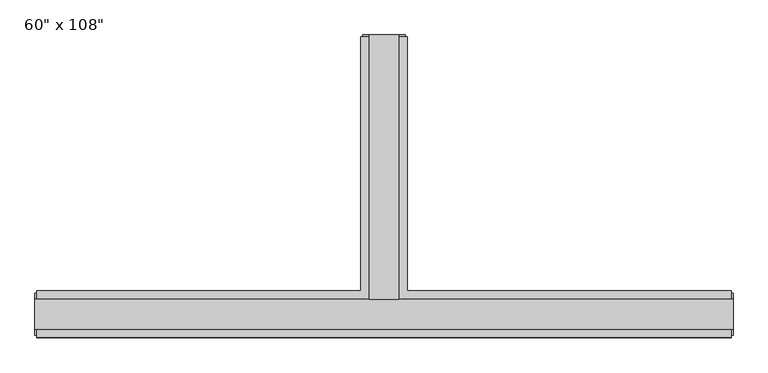
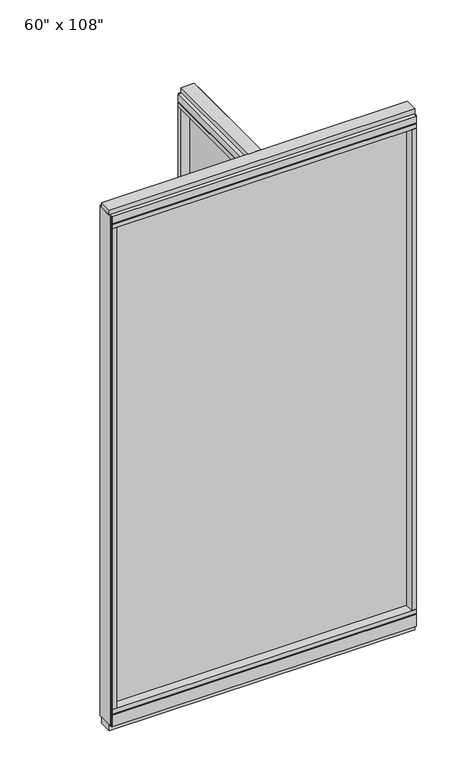
"""IFC4 building model written with IfcOpenShell, lengths in millimetres: furniture geometry."""

from ifc_helpers import new_model, si_unit, frame, origin, origin_with_axes, place, context, project, spatial, polyline, outline, extrude, faceted_brep, source, transform, mapped, element, save


def furniture_4bdf9fb6(model_context):
    return source(origin(), model_context, "Body", "SolidModel", [
        extrude(outline(polyline([(-65.1165229, 0.5622784), (-65.1165229, 578.9202784), (-54.9565229, 578.9202784), (-54.9565229, 0.5622784), (-65.1165229, 0.5622784)])), frame((0.0, 0.0, 120.65), z_axis=(0.0, 0.0, 1.0), x_axis=(1.0, 0.0, 0.0)), (0.0, 0.0, 1.0), 2533.777),
        extrude(outline(polyline([(675.8014771, -9.5977216), (-795.8745229, -9.5977216), (-795.8745229, 0.5622784), (675.8014771, 0.5622784), (675.8014771, -9.5977216)])), frame((0.0, 0.0, 120.523), z_axis=(0.0, 0.0, 1.0), x_axis=(1.0, 0.0, 0.0)), (0.0, 0.0, 1.0), 2533.777),
        extrude(outline(polyline([(-110.8365229, 601.1452784), (-9.2365229, 601.1452784), (-9.2365229, 46.2822784), (698.0264771, 46.2822784), (698.0264771, -55.3177216), (-818.0995229, -55.3177216), (-818.0995229, 46.2822784), (-110.8365229, 46.2822784), (-110.8365229, 601.1452784)])), frame((0.0, 0.0, 2654.3), z_axis=(0.0, 0.0, 1.0), x_axis=(1.0, 0.0, 0.0)), (0.0, 0.0, 1.0), 22.225),
        faceted_brep([(-105.8835229, 46.2822784, 2681.478), (-105.8835229, 46.2822784, 2676.525), (-14.1895229, 46.2822784, 2676.525), (-14.1895229, 46.2822784, 2681.478), (-9.2365229, 601.1452784, 2681.478), (-14.1895229, 601.1452784, 2681.478), (-14.1895229, 601.1452784, 2676.525), (-105.8835229, 601.1452784, 2676.525), (-105.8835229, 601.1452784, 2681.478), (-110.8365229, 601.1452784, 2681.478), (-110.8365229, 601.1452784, 2717.8), (-9.2365229, 601.1452784, 2717.8), (-9.2365229, 46.2822784, 2681.478), (698.0264771, 46.2822784, 2681.478), (698.0264771, 41.3292784, 2681.478), (-818.0995229, 41.3292784, 2681.478), (-818.0995229, 46.2822784, 2681.478), (-110.8365229, 46.2822784, 2681.478), (-110.8365229, 46.2822784, 2717.8), (-818.0995229, 46.2822784, 2717.8), (-818.0995229, -55.3177216, 2717.8), (698.0264771, -55.3177216, 2717.8), (698.0264771, 46.2822784, 2717.8), (-9.2365229, 46.2822784, 2717.8), (-818.0995229, -55.3177216, 2681.478), (-818.0995229, 41.3292784, 2676.525), (-818.0995229, -50.3647216, 2676.525), (-818.0995229, -50.3647216, 2681.478), (698.0264771, -55.3177216, 2681.478), (698.0264771, -50.3647216, 2681.478), (698.0264771, -50.3647216, 2676.525), (698.0264771, 41.3292784, 2676.525)], [[[0, 1, 2, 3]], [[4, 5, 6, 7, 8, 9, 10, 11]], [[5, 4, 12, 13, 14, 15, 16, 17, 9, 8, 0, 3]], [[3, 2, 6, 5]], [[2, 1, 7, 6]], [[1, 0, 8, 7]], [[10, 9, 17, 18]], [[11, 10, 18, 19, 20, 21, 22, 23]], [[4, 11, 23, 12]], [[24, 20, 19, 16, 15, 25, 26, 27]], [[28, 29, 30, 31, 14, 13, 22, 21]], [[24, 27, 29, 28]], [[16, 19, 18, 17]], [[22, 13, 12, 23]], [[20, 24, 28, 21]], [[25, 15, 14, 31]], [[26, 25, 31, 30]], [[27, 26, 30, 29]]]),
        faceted_brep([(-14.1895229, 46.2822784, 93.345), (-14.1895229, 46.2822784, 98.298), (-105.8835229, 46.2822784, 98.298), (-105.8835229, 46.2822784, 93.345), (-9.2365229, 601.1452784, 93.345), (-9.2365229, 601.1452784, 31.75), (-110.8365229, 601.1452784, 31.75), (-110.8365229, 601.1452784, 93.345), (-105.8835229, 601.1452784, 93.345), (-105.8835229, 601.1452784, 98.298), (-14.1895229, 601.1452784, 98.298), (-14.1895229, 601.1452784, 93.345), (-110.8365229, 46.2822784, 93.345), (-818.0995229, 46.2822784, 93.345), (-818.0995229, 41.3292784, 93.345), (698.0264771, 41.3292784, 93.345), (698.0264771, 46.2822784, 93.345), (-9.2365229, 46.2822784, 93.345), (-110.8365229, 46.2822784, 31.75), (-9.2365229, 46.2822784, 31.75), (698.0264771, 46.2822784, 31.75), (698.0264771, -55.3177216, 31.75), (-818.0995229, -55.3177216, 31.75), (-818.0995229, 46.2822784, 31.75), (698.0264771, -55.3177216, 93.345), (698.0264771, 41.3292784, 98.298), (698.0264771, -50.3647216, 98.298), (698.0264771, -50.3647216, 93.345), (-818.0995229, -55.3177216, 93.345), (-818.0995229, -50.3647216, 93.345), (-818.0995229, -50.3647216, 98.298), (-818.0995229, 41.3292784, 98.298)], [[[0, 1, 2, 3]], [[4, 5, 6, 7, 8, 9, 10, 11]], [[4, 11, 0, 3, 8, 7, 12, 13, 14, 15, 16, 17]], [[1, 0, 11, 10]], [[2, 1, 10, 9]], [[3, 2, 9, 8]], [[7, 6, 18, 12]], [[6, 5, 19, 20, 21, 22, 23, 18]], [[5, 4, 17, 19]], [[24, 21, 20, 16, 15, 25, 26, 27]], [[28, 29, 30, 31, 14, 13, 23, 22]], [[24, 27, 29, 28]], [[16, 20, 19, 17]], [[23, 13, 12, 18]], [[21, 24, 28, 22]], [[25, 15, 14, 31]], [[26, 25, 31, 30]], [[27, 26, 30, 29]]]),
        extrude(outline(polyline([(-110.8365229, 601.1452784), (-9.2365229, 601.1452784), (-9.2365229, 46.2822784), (698.0264771, 46.2822784), (698.0264771, -55.3177216), (-818.0995229, -55.3177216), (-818.0995229, 46.2822784), (-110.8365229, 46.2822784), (-110.8365229, 601.1452784)])), frame((0.0, 0.0, 98.298), z_axis=(0.0, 0.0, 1.0), x_axis=(1.0, 0.0, 0.0)), (0.0, 0.0, 1.0), 22.225),
        extrude(outline(polyline([(-27.5245229, 27.9942784), (-92.5485229, 27.9942784), (-92.5485229, 605.0822784), (-27.5245229, 605.0822784), (-27.5245229, 27.9942784)])), origin_with_axes(), (0.0, 0.0, 1.0), 31.75),
        extrude(outline(polyline([(-9.2365229, 601.1452784), (-9.2365229, 578.9202784), (-110.8365229, 578.9202784), (-110.8365229, 601.1452784), (-9.2365229, 601.1452784)])), frame((0.0, 0.0, 120.523), z_axis=(0.0, 0.0, 1.0), x_axis=(1.0, 0.0, 0.0)), (0.0, 0.0, 1.0), 2533.777),
        extrude(outline(polyline([(-14.1895229, 605.0822784), (-14.1895229, 601.1452784), (-105.8835229, 601.1452784), (-105.8835229, 605.0822784), (-14.1895229, 605.0822784)])), frame((0.0, 0.0, 31.75), z_axis=(0.0, 0.0, 1.0), x_axis=(1.0, 0.0, 0.0)), (0.0, 0.0, 1.0), 2686.05),
        extrude(outline(polyline([(-27.5245229, 27.9942784), (-92.5485229, 27.9942784), (-92.5485229, 605.0822784), (-27.5245229, 605.0822784), (-27.5245229, 27.9942784)])), frame((0.0, 0.0, 2717.8), z_axis=(0.0, 0.0, 1.0), x_axis=(1.0, 0.0, 0.0)), (0.0, 0.0, 1.0), 25.4),
        extrude(outline(polyline([(701.9634771, 27.9942784), (701.9634771, -37.0297216), (-822.0365229, -37.0297216), (-822.0365229, 27.9942784), (701.9634771, 27.9942784)])), origin_with_axes(), (0.0, 0.0, 1.0), 31.75),
        extrude(outline(polyline([(-822.0365229, -37.0297216), (-822.0365229, 27.9942784), (701.9634771, 27.9942784), (701.9634771, -37.0297216), (-822.0365229, -37.0297216)])), frame((0.0, 0.0, 2717.8), z_axis=(0.0, 0.0, 1.0), x_axis=(1.0, 0.0, 0.0)), (0.0, 0.0, 1.0), 25.4),
        extrude(outline(polyline([(675.8014771, -55.3177216), (675.8014771, 46.2822784), (698.0264771, 46.2822784), (698.0264771, -55.3177216), (675.8014771, -55.3177216)])), frame((0.0, 0.0, 120.523), z_axis=(0.0, 0.0, 1.0), x_axis=(1.0, 0.0, 0.0)), (0.0, 0.0, 1.0), 2533.777),
        extrude(outline(polyline([(-795.8745229, -55.3177216), (-818.0995229, -55.3177216), (-818.0995229, 46.2822784), (-795.8745229, 46.2822784), (-795.8745229, -55.3177216)])), frame((0.0, 0.0, 120.523), z_axis=(0.0, 0.0, 1.0), x_axis=(1.0, 0.0, 0.0)), (0.0, 0.0, 1.0), 2533.777),
        extrude(outline(polyline([(701.9634771, -50.3647216), (698.0264771, -50.3647216), (698.0264771, 41.3292784), (701.9634771, 41.3292784), (701.9634771, -50.3647216)])), frame((0.0, 0.0, 31.75), z_axis=(0.0, 0.0, 1.0), x_axis=(1.0, 0.0, 0.0)), (0.0, 0.0, 1.0), 2686.05),
        extrude(outline(polyline([(-822.0365229, -50.3647216), (-822.0365229, 41.3292784), (-818.0995229, 41.3292784), (-818.0995229, -50.3647216), (-822.0365229, -50.3647216)])), frame((0.0, 0.0, 31.75), z_axis=(0.0, 0.0, 1.0), x_axis=(1.0, 0.0, 0.0)), (0.0, 0.0, 1.0), 2686.05),
    ])


if __name__ == "__main__":
    model = new_model("IFC4")
    model_context = context("Model", 3, world=origin())
    ifc_project = project(units=[si_unit("LENGTHUNIT", "METRE", prefix="MILLI")], contexts=[model_context])
    site = spatial("IfcSite", under=ifc_project)
    building = spatial("IfcBuilding", under=site)
    placement = place(None, origin())
    furniture_shape = furniture_4bdf9fb6(model_context)
    element("IfcFurniture", 1, ObjectType="60\" x 108\"", at=placement, inside=building, context=model_context, shape_type="MappedRepresentation", body=[
        mapped(furniture_shape, transform((0.0, 0.0, 0.0), x_axis=(1.0, 0.0, 0.0), y_axis=(0.0, 1.0, 0.0), z_axis=(0.0, 0.0, 1.0))),
    ])
    save(model, "model.ifc")
